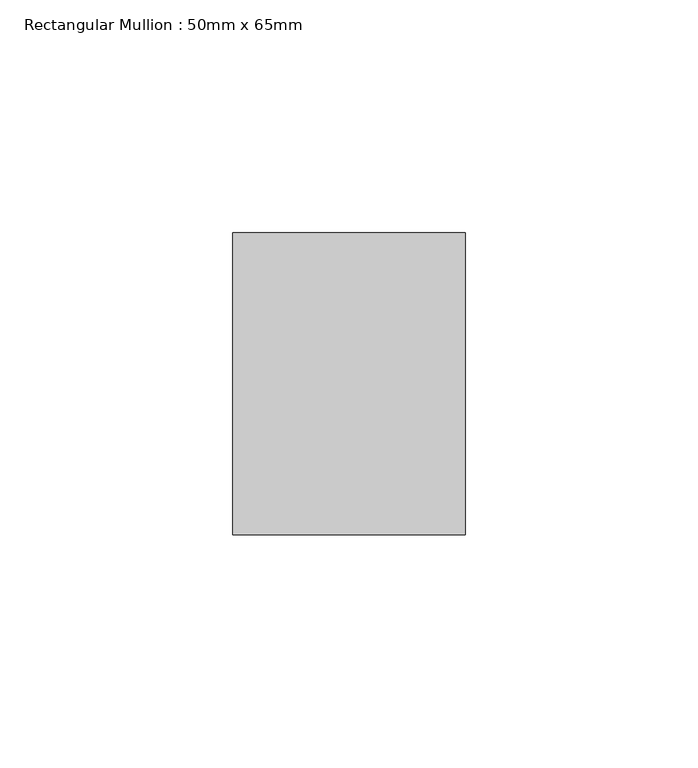
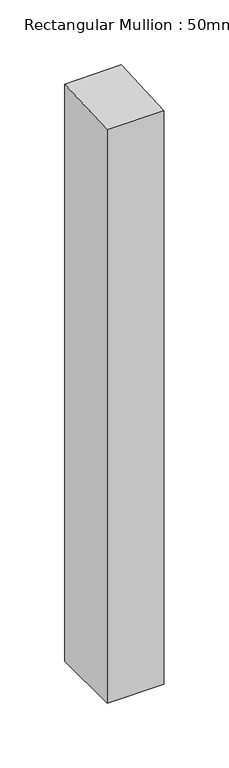
"""IFC4 building model written with IfcOpenShell, lengths in millimetres: member geometry, Rectangular Mullion : 50mm x 65mm."""

from ifc_helpers import new_model, si_unit, origin, place, context, project, spatial, faceted_brep, source, transform, mapped, element, save


def rectangular_mullion_50mm_x_65mm_babc6887(model_context):
    return source(origin(), model_context, "Body", "Brep", [
        faceted_brep([(25.0, 32.5, -540.2731271), (25.0, -32.5, -540.2731271), (-25.0, -32.5, -540.2731271), (-25.0, 32.5, -540.2731271), (-25.0, 32.5, 1.53248), (25.0, 32.5, 1.9844326), (-25.0, -32.5, -1.9844326), (25.0, -32.5, -1.53248)], [[[0, 1, 2, 3]], [[4, 5, 0, 3]], [[6, 4, 3, 2]], [[7, 6, 2, 1]], [[5, 7, 1, 0]], [[5, 4, 6, 7]]]),
    ])


if __name__ == "__main__":
    model = new_model("IFC4")
    model_context = context("Model", 3, world=origin())
    ifc_project = project(units=[si_unit("LENGTHUNIT", "METRE", prefix="MILLI")], contexts=[model_context])
    site = spatial("IfcSite", under=ifc_project)
    building = spatial("IfcBuilding", under=site)
    placement = place(None, origin())
    rectangular_mullion_50mm_x_65mm_shape = rectangular_mullion_50mm_x_65mm_babc6887(model_context)
    element("IfcMember", 1, ObjectType="Rectangular Mullion : 50mm x 65mm", at=placement, inside=building, context=model_context, shape_type="MappedRepresentation", body=[
        mapped(rectangular_mullion_50mm_x_65mm_shape, transform((0.0, 0.0, 0.0), x_axis=(1.0, 0.0, 0.0), y_axis=(0.0, 1.0, 0.0), z_axis=(0.0, 0.0, 1.0))),
    ])
    save(model, "model.ifc")
